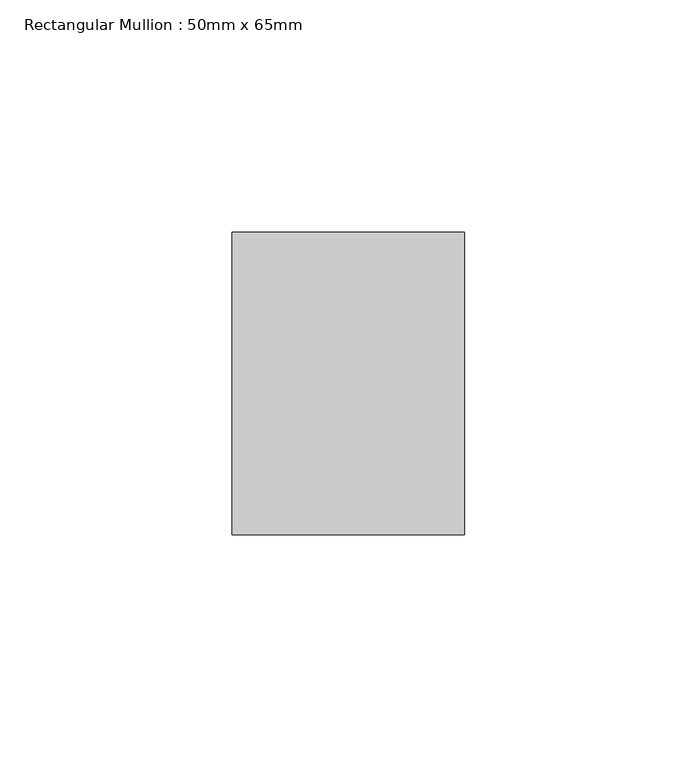
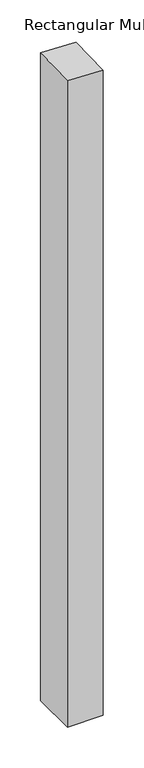
"""IFC4 building model written with IfcOpenShell, lengths in millimetres: member geometry, Rectangular Mullion : 50mm x 65mm."""

from ifc_helpers import new_model, si_unit, origin, place, context, project, spatial, faceted_brep, source, transform, mapped, element, save


def rectangular_mullion_50mm_x_65mm_4ae7c9c7(model_context):
    return source(origin(), model_context, "Body", "Brep", [
        faceted_brep([(25.0, 32.5, -962.4224794), (25.0, -32.5, -962.4224794), (-25.0, -32.5, -962.4224794), (-25.0, 32.5, -962.4224794), (-25.0, 32.5, 2.2299794), (25.0, 32.5, 0.2875456), (-25.0, -32.5, -0.2875456), (25.0, -32.5, -2.2299794)], [[[0, 1, 2, 3]], [[4, 5, 0, 3]], [[6, 4, 3, 2]], [[7, 6, 2, 1]], [[5, 7, 1, 0]], [[5, 4, 6, 7]]]),
    ])


if __name__ == "__main__":
    model = new_model("IFC4")
    model_context = context("Model", 3, world=origin())
    ifc_project = project(units=[si_unit("LENGTHUNIT", "METRE", prefix="MILLI")], contexts=[model_context])
    site = spatial("IfcSite", under=ifc_project)
    building = spatial("IfcBuilding", under=site)
    placement = place(None, origin())
    rectangular_mullion_50mm_x_65mm_shape = rectangular_mullion_50mm_x_65mm_4ae7c9c7(model_context)
    element("IfcMember", 1, ObjectType="Rectangular Mullion : 50mm x 65mm", at=placement, inside=building, context=model_context, shape_type="MappedRepresentation", body=[
        mapped(rectangular_mullion_50mm_x_65mm_shape, transform((0.0, 0.0, 0.0), x_axis=(1.0, 0.0, 0.0), y_axis=(0.0, 1.0, 0.0), z_axis=(0.0, 0.0, 1.0))),
    ])
    save(model, "model.ifc")
